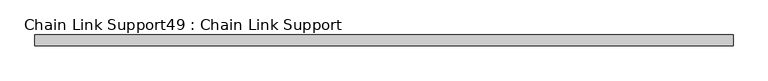
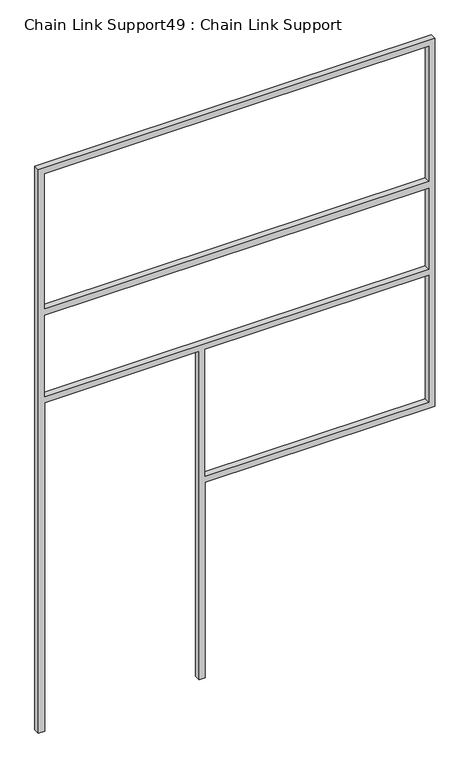
"""IFC4 building model written with IfcOpenShell, lengths in millimetres: proxy geometry, Chain Link Support49 : Chain Link Support."""

import ifcopenshell
import ifcopenshell.guid

model = None  # the IFC model being written
_history = None  # IfcOwnerHistory: only IFC2X3 demands one
_inside = {}  # id of a spatial element -> (the spatial element, [elements in it])
_under = {}  # id of a project, library or spatial element -> (it, [spatial elements below it])
_declared = {}  # id of a project -> (the project, [libraries it declares])
_typed = {}  # id of a type object -> (the type object, [elements of that type])
_made_of = {}  # id of a material, layer set ... -> (it, [elements and type objects made of it])


def new_model(schema):
    """Start an empty IFC model of exactly this schema.

    Asked for "IFC4X3", IfcOpenShell would pick the latest addendum, in which some entities
    have other attributes; the version numbers below select the first issue.
    IFC2X3 requires an IfcOwnerHistory on every rooted entity: one is made here for all.
    """
    global model, _history
    if schema == "IFC4X3":
        model = ifcopenshell.file(schema_version=(4, 3, 0, 0))
    else:
        model = ifcopenshell.file(schema=schema)
    _inside.clear()
    _under.clear()
    _declared.clear()
    _typed.clear()
    _made_of.clear()
    _history = None
    if model.schema == "IFC2X3":
        org = make("IfcOrganization", Name="unknown")
        user = make(
            "IfcPersonAndOrganization",
            ThePerson=make("IfcPerson", FamilyName="unknown"),
            TheOrganization=org,
        )
        app = make(
            "IfcApplication",
            ApplicationDeveloper=org,
            Version="unknown",
            ApplicationFullName="unknown",
            ApplicationIdentifier="unknown",
        )
        _history = make(
            "IfcOwnerHistory",
            OwningUser=user,
            OwningApplication=app,
            ChangeAction="ADDED",
            CreationDate=0,
        )
    return model


def make(cls, **values):
    """One entity of the class cls with the attributes given. An attribute that is None is left unset."""
    return model.create_entity(
        cls, **{name: value for name, value in values.items() if value is not None}
    )


def rooted(cls, **values):
    """An entity with a GlobalId (a new one), such as an element, a storey or a relation."""
    return make(cls, GlobalId=ifcopenshell.guid.new(), OwnerHistory=_history, **values)


def si_unit(unit_type, name, prefix=None):
    """IfcSIUnit, for example si_unit("LENGTHUNIT", "METRE", prefix="MILLI")."""
    return make("IfcSIUnit", UnitType=unit_type, Prefix=prefix, Name=name)


def assignment(units):
    """IfcUnitAssignment: the units of a project."""
    return None if units is None else make("IfcUnitAssignment", Units=units)


def point(xyz):
    """IfcCartesianPoint."""
    return None if xyz is None else make("IfcCartesianPoint", Coordinates=xyz)


def direction(xyz):
    """IfcDirection."""
    return None if xyz is None else make("IfcDirection", DirectionRatios=xyz)


def frame(location, z_axis=None, x_axis=None):
    """IfcAxis2Placement3D, a coordinate frame: its origin and axes. An axis left out is left unset."""
    return make(
        "IfcAxis2Placement3D",
        Location=point(location),
        Axis=direction(z_axis),
        RefDirection=direction(x_axis),
    )


def origin():
    """The frame at (0, 0, 0) with its axes left unset."""
    return frame((0.0, 0.0, 0.0))


def place(relative_to, where):
    """IfcLocalPlacement: puts the frame where relative to a parent placement (None: the world)."""
    return make(
        "IfcLocalPlacement", PlacementRelTo=relative_to, RelativePlacement=where
    )


def context(
    kind, dimensions, precision=None, world=None, true_north=None, identifier=None
):
    """IfcGeometricRepresentationContext, for example the 3D "Model" context."""
    return make(
        "IfcGeometricRepresentationContext",
        ContextIdentifier=identifier,
        ContextType=kind,
        CoordinateSpaceDimension=dimensions,
        Precision=precision,
        WorldCoordinateSystem=world,
        TrueNorth=true_north,
    )


def project(units=None, contexts=None):
    """IfcProject with its units and contexts."""
    return rooted(
        "IfcProject",
        Name="project",
        RepresentationContexts=contexts,
        UnitsInContext=assignment(units),
    )


def spatial(cls, under=None, at=None, **own):
    """A site, building, storey or space (cls), placed at a placement, below another one or the project."""
    s = rooted(cls, ObjectPlacement=at, **own)
    if under is not None:
        _under.setdefault(under.id(), (under, []))[1].append(s)
    return s


def polyline(points):
    """IfcPolyline through the points."""
    return make("IfcPolyline", Points=[point(p) for p in points])


def outline(outer, holes=None, kind="AREA"):
    """IfcArbitraryClosedProfileDef: a profile drawn as a closed curve; with holes, ...WithVoids."""
    if holes is None:
        return make("IfcArbitraryClosedProfileDef", ProfileType=kind, OuterCurve=outer)
    return make(
        "IfcArbitraryProfileDefWithVoids",
        ProfileType=kind,
        OuterCurve=outer,
        InnerCurves=holes,
    )


def extrude(swept, where, along, depth):
    """IfcExtrudedAreaSolid: the profile swept, set in the frame where, extruded along a direction by depth."""
    return make(
        "IfcExtrudedAreaSolid",
        SweptArea=swept,
        Position=where,
        ExtrudedDirection=direction(along),
        Depth=depth,
    )


def shape(context_of_items, identifier, shape_type, items):
    """IfcShapeRepresentation: the items that make up one representation, for example the "Body"."""
    return make(
        "IfcShapeRepresentation",
        ContextOfItems=context_of_items,
        RepresentationIdentifier=identifier,
        RepresentationType=shape_type,
        Items=items,
    )


def source(mapping_origin, context_of_items, identifier, shape_type, items):
    """IfcRepresentationMap: a shape defined once, which mapped items show again and again."""
    return make(
        "IfcRepresentationMap",
        MappingOrigin=mapping_origin,
        MappedRepresentation=shape(context_of_items, identifier, shape_type, items),
    )


def transform(
    local_origin,
    x_axis=None,
    y_axis=None,
    z_axis=None,
    scale=None,
    scale2=None,
    scale3=None,
    uniform=True,
):
    """IfcCartesianTransformationOperator3D, or its non-uniform kind. x_axis, y_axis, z_axis: its Axis1, 2, 3."""
    if uniform:
        return make(
            "IfcCartesianTransformationOperator3D",
            Axis1=direction(x_axis),
            Axis2=direction(y_axis),
            LocalOrigin=point(local_origin),
            Scale=scale,
            Axis3=direction(z_axis),
        )
    return make(
        "IfcCartesianTransformationOperator3DnonUniform",
        Axis1=direction(x_axis),
        Axis2=direction(y_axis),
        LocalOrigin=point(local_origin),
        Scale=scale,
        Axis3=direction(z_axis),
        Scale2=scale2,
        Scale3=scale3,
    )


def mapped(mapping_source, mapping_target):
    """IfcMappedItem: shows the shape of a source again, moved by a transform."""
    return make(
        "IfcMappedItem", MappingSource=mapping_source, MappingTarget=mapping_target
    )


def made_of(thing, what):
    """Note that an element or type object is made of a material, layer set ...; save() writes the relation."""
    if what is not None:
        _made_of.setdefault(what.id(), (what, []))[1].append(thing)
    return thing


def element(
    cls,
    number,
    at=None,
    inside=None,
    cuts=None,
    type_object=None,
    material=None,
    context=None,
    identifier="Body",
    shape_type=None,
    held_by="IfcProductDefinitionShape",
    body=None,
    shapes=None,
    **own,
):
    """One element of the class cls, such as IfcWall. Its Tag is "e" and its number.

    at: its placement. inside: the storey or other place that contains it. cuts: it is an
    opening in that element (IfcRelVoidsElement). A single representation is given by context,
    identifier, shape_type and body (its items); several are given by shapes. held_by: the class
    of the entity that holds the representations. save() writes the other relations.
    """
    e = rooted(cls, Tag="e%d" % number, ObjectPlacement=at, **own)
    if body is not None:
        shapes = [shape(context, identifier, shape_type, body)]
    if shapes is not None:
        e.Representation = make(held_by, Representations=shapes)
    if inside is not None:
        _inside.setdefault(inside.id(), (inside, []))[1].append(e)
    if cuts is not None:
        rooted(
            "IfcRelVoidsElement", RelatingBuildingElement=cuts, RelatedOpeningElement=e
        )
    if type_object is not None:
        _typed.setdefault(type_object.id(), (type_object, []))[1].append(e)
    return made_of(e, material)


def aggregate(whole, parts):
    """IfcRelAggregates: a whole, such as a stair, and the parts it consists of."""
    return rooted("IfcRelAggregates", RelatingObject=whole, RelatedObjects=parts)


def save(model, path):
    """Write the relations noted so far, then the file.

    IfcRelAggregates (storeys below a building ...), IfcRelContainedInSpatialStructure (elements
    in a storey), IfcRelDefinesByType, IfcRelAssociatesMaterial and IfcRelDeclares: one each for
    every whole, place, type object, material and project.
    """
    for whole, parts in _under.values():
        aggregate(whole, parts)
    for where, things in _inside.values():
        rooted(
            "IfcRelContainedInSpatialStructure",
            RelatedElements=things,
            RelatingStructure=where,
        )
    for kind, things in _typed.values():
        rooted("IfcRelDefinesByType", RelatedObjects=things, RelatingType=kind)
    for what, things in _made_of.values():
        rooted("IfcRelAssociatesMaterial", RelatedObjects=things, RelatingMaterial=what)
    for by, libraries in _declared.values():
        rooted("IfcRelDeclares", RelatingContext=by, RelatedDefinitions=libraries)
    model.write(path)


def chain_link_support49_chain_link_support_8c5a670d(model_context):
    return source(origin(), model_context, "Body", "SweptSolid", [
        extrude(outline(polyline([(3657.6, 275839.5987172), (0.0, 275839.5987172), (0.0, 275877.6987172), (2133.6, 275877.6987172), (2133.6, 276827.0237172), (0.0, 276827.0237172), (0.0, 276865.1237172), (1270.0, 276865.1237172), (1270.0, 278277.9987172), (3657.6, 278277.9987172), (3657.6, 275839.5987172)]), holes=[polyline([(2743.2, 275877.6987172), (3619.5, 275877.6987172), (3619.5, 278239.8987172), (2743.2, 278239.8987172), (2743.2, 275877.6987172)]), polyline([(1308.1, 278239.8987172), (1308.1, 276865.1237172), (2133.6, 276865.1237172), (2133.6, 278239.8987172), (1308.1, 278239.8987172)]), polyline([(2171.7, 275877.6987172), (2698.75, 275877.6987172), (2698.75, 278239.8987172), (2171.7, 278239.8987172), (2171.7, 275877.6987172)])]), frame((0.0, 34976.9794992, 0.0), z_axis=(0.0, 1.0, 0.0), x_axis=(0.0, 0.0, 1.0)), (0.0, 0.0, 1.0), 38.1),
    ])


if __name__ == "__main__":
    model = new_model("IFC4")
    model_context = context("Model", 3, world=origin())
    ifc_project = project(units=[si_unit("LENGTHUNIT", "METRE", prefix="MILLI")], contexts=[model_context])
    site = spatial("IfcSite", under=ifc_project)
    building = spatial("IfcBuilding", under=site)
    placement = place(None, origin())
    chain_link_support49_chain_link_support_shape = chain_link_support49_chain_link_support_8c5a670d(model_context)
    element("IfcBuildingElementProxy", 1, Name="Chain Link Support49 : Chain Link Support", ObjectType="Chain Link Support49 : Chain Link Support", at=placement, inside=building, context=model_context, shape_type="MappedRepresentation", body=[
        mapped(chain_link_support49_chain_link_support_shape, transform((0.0, 0.0, 0.0), x_axis=(1.0, 0.0, 0.0), y_axis=(0.0, 1.0, 0.0), z_axis=(0.0, 0.0, 1.0))),
    ])
    save(model, "model.ifc")
